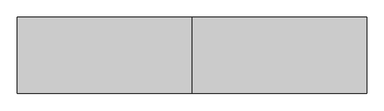
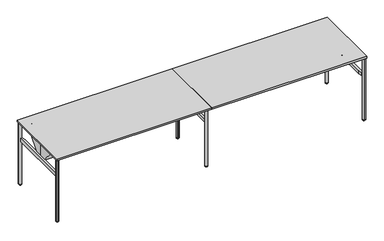
"""IFC4 building model written with IfcOpenShell, lengths in millimetres: furniture geometry."""

from ifc_helpers import new_model, si_unit, point, frame, frame_2d, origin, place, context, project, spatial, polyline, circle_curve, ellipse_curve, trimmed, segment, composite_curve, outline, extrude, source, transform, mapped, element, save
from ifc_brep_helpers import plane_surface, cylinder_surface, revolved_surface, advanced_brep


def furniture_03df51e2(model_context):
    return source(origin(), model_context, "Body", "SolidModel", [
        extrude(outline(composite_curve([segment(polyline([(4726.5708622, -1012.5123913), (4719.959378, -936.94286)]), True, "CONTINUOUS"), segment(trimmed(circle_curve(frame_2d((4738.9368868, -935.2825414)), 19.05), [point((4719.959378, -936.94286))], [point((4740.5972055, -916.3050325))], False, "CARTESIAN"), True, "CONTINUOUS"), segment(polyline([(4740.5972055, -916.3050325), (4818.2875241, -923.1020618)]), True, "CONTINUOUS"), segment(trimmed(circle_curve(frame_2d((4816.39591, -944.7232867)), 21.7038146), [point((4818.2875241, -923.1020618))], [point((4831.7428234, -929.3763711))], False, "CARTESIAN"), True, "CONTINUOUS"), segment(polyline([(4831.7428234, -929.3763711), (4847.3702956, -945.0038411)]), True, "CONTINUOUS"), segment(trimmed(circle_curve(frame_2d((4826.4053664, -965.9687734)), 29.6488894), [point((4847.3702956, -945.0038411))], [point((4855.9414328, -963.3847025))], False, "CARTESIAN"), True, "CONTINUOUS"), segment(polyline([(4855.9414328, -963.3847025), (4862.3888037, -1037.078493), (4862.3888037, -1055.2995351)]), True, "CONTINUOUS"), segment(trimmed(circle_curve(frame_2d((4858.9538794, -1055.2995351)), 3.4349243), [point((4862.3888037, -1055.2995351))], [point((4858.9538794, -1058.7344594))], False, "CARTESIAN"), True, "CONTINUOUS"), segment(polyline([(4858.9538794, -1058.7344594), (4840.7328449, -1058.7344594), (4767.8008773, -1052.3537388)]), True, "CONTINUOUS"), segment(trimmed(circle_curve(frame_2d((4770.5680722, -1020.7245572)), 31.75), [point((4767.8008773, -1052.3537388))], [point((4748.1174287, -1043.1751943))], False, "CARTESIAN"), True, "CONTINUOUS"), segment(polyline([(4748.1174287, -1043.1751943), (4734.5360666, -1029.5938283)]), True, "CONTINUOUS"), segment(trimmed(circle_curve(frame_2d((4754.0189041, -1010.1109963)), 27.5528892), [point((4734.5360666, -1029.5938283))], [point((4726.5708622, -1012.5123913))], False, "CARTESIAN"), True, "CONTINUOUS")], self_intersect=False)), frame((0.0, 0.0, 1029.2852114), z_axis=(0.0, 0.0, 1.0), x_axis=(1.0, 0.0, 0.0)), (0.0, 0.0, 1.0), 7.924807),
        extrude(outline(composite_curve([segment(trimmed(circle_curve(frame_2d((4754.0189041, -55.8736689)), 27.5528892), [point((4726.5708622, -53.4722739))], [point((4734.5360666, -36.3908369))], False, "CARTESIAN"), True, "CONTINUOUS"), segment(polyline([(4734.5360666, -36.3908369), (4748.1174287, -22.8094709)]), True, "CONTINUOUS"), segment(trimmed(circle_curve(frame_2d((4770.5680722, -45.260108)), 31.75), [point((4748.1174287, -22.8094709))], [point((4767.8008773, -13.6309264))], False, "CARTESIAN"), True, "CONTINUOUS"), segment(polyline([(4767.8008773, -13.6309264), (4840.7328449, -7.2502058), (4858.9538794, -7.2502058)]), True, "CONTINUOUS"), segment(trimmed(circle_curve(frame_2d((4858.9538794, -10.6851301)), 3.4349243), [point((4858.9538794, -7.2502058))], [point((4862.3888037, -10.6851301))], False, "CARTESIAN"), True, "CONTINUOUS"), segment(polyline([(4862.3888037, -10.6851301), (4862.3888037, -28.9061722), (4855.9414328, -102.5999627)]), True, "CONTINUOUS"), segment(trimmed(circle_curve(frame_2d((4826.4053664, -100.0158919)), 29.6488894), [point((4855.9414328, -102.5999627))], [point((4847.3702956, -120.9808241))], False, "CARTESIAN"), True, "CONTINUOUS"), segment(polyline([(4847.3702956, -120.9808241), (4831.7428234, -136.6082941)]), True, "CONTINUOUS"), segment(trimmed(circle_curve(frame_2d((4816.39591, -121.2613785)), 21.7038146), [point((4831.7428234, -136.6082941))], [point((4818.2875241, -142.8826034))], False, "CARTESIAN"), True, "CONTINUOUS"), segment(polyline([(4818.2875241, -142.8826034), (4740.5972055, -149.6796327)]), True, "CONTINUOUS"), segment(trimmed(circle_curve(frame_2d((4738.9368868, -130.7021238)), 19.05), [point((4740.5972055, -149.6796327))], [point((4719.959378, -129.0418052))], False, "CARTESIAN"), True, "CONTINUOUS"), segment(polyline([(4719.959378, -129.0418052), (4726.5708622, -53.4722739)]), True, "CONTINUOUS")], self_intersect=False)), frame((0.0, 0.0, 1029.2852114), z_axis=(0.0, 0.0, 1.0), x_axis=(1.0, 0.0, 0.0)), (0.0, 0.0, 1.0), 7.924807),
        extrude(outline(composite_curve([segment(trimmed(circle_curve(frame_2d((115.624494, -1010.9263553)), 27.5528892), [point((143.0725359, -1013.3277503))], [point((135.1073315, -1030.4091873))], False, "CARTESIAN"), True, "CONTINUOUS"), segment(polyline([(135.1073315, -1030.4091873), (121.5259694, -1043.9905533)]), True, "CONTINUOUS"), segment(trimmed(circle_curve(frame_2d((99.0753259, -1021.5399162)), 31.75), [point((121.5259694, -1043.9905533))], [point((101.8425208, -1053.1690978))], False, "CARTESIAN"), True, "CONTINUOUS"), segment(polyline([(101.8425208, -1053.1690978), (28.9105532, -1059.5498184), (10.6895187, -1059.5498184)]), True, "CONTINUOUS"), segment(trimmed(circle_curve(frame_2d((10.6895187, -1056.1148941)), 3.4349243), [point((10.6895187, -1059.5498184))], [point((7.2545944, -1056.1148941))], False, "CARTESIAN"), True, "CONTINUOUS"), segment(polyline([(7.2545944, -1056.1148941), (7.2545944, -1037.893852), (13.7019653, -964.2000615)]), True, "CONTINUOUS"), segment(trimmed(circle_curve(frame_2d((43.2380317, -966.7841324)), 29.6488894), [point((13.7019653, -964.2000615))], [point((22.2731025, -945.8192001))], False, "CARTESIAN"), True, "CONTINUOUS"), segment(polyline([(22.2731025, -945.8192001), (37.9005747, -930.1917301)]), True, "CONTINUOUS"), segment(trimmed(circle_curve(frame_2d((53.2474881, -945.5386457)), 21.7038146), [point((37.9005747, -930.1917301))], [point((51.355874, -923.9174208))], False, "CARTESIAN"), True, "CONTINUOUS"), segment(polyline([(51.355874, -923.9174208), (129.0461926, -917.1203915)]), True, "CONTINUOUS"), segment(trimmed(circle_curve(frame_2d((130.7065113, -936.0979004)), 19.05), [point((129.0461926, -917.1203915))], [point((149.6840201, -937.758219))], False, "CARTESIAN"), True, "CONTINUOUS"), segment(polyline([(149.6840201, -937.758219), (143.0725359, -1013.3277503)]), True, "CONTINUOUS")], self_intersect=False)), frame((0.0, 0.0, 1029.2852114), z_axis=(0.0, 0.0, 1.0), x_axis=(1.0, 0.0, 0.0)), (0.0, 0.0, 1.0), 7.924807),
        extrude(outline(composite_curve([segment(trimmed(circle_curve(frame_2d((2477.4721112, -209.6115174)), 27.5528892), [point((2498.5788505, -191.9008635))], [point((2505.0250004, -209.6115135))], False, "CARTESIAN"), True, "CONTINUOUS"), segment(polyline([(2505.0250004, -209.6115135), (2505.0250031, -228.8184627)]), True, "CONTINUOUS"), segment(trimmed(circle_curve(frame_2d((2473.2750031, -228.8184672)), 31.75), [point((2505.0250031, -228.8184627))], [point((2497.5969142, -249.2269738))], False, "CARTESIAN"), True, "CONTINUOUS"), segment(polyline([(2497.5969142, -249.2269738), (2450.5380761, -305.3095134), (2437.6538591, -318.1937304)]), True, "CONTINUOUS"), segment(trimmed(circle_curve(frame_2d((2435.2250008, -315.7648722)), 3.4349243), [point((2437.6538591, -318.1937304))], [point((2432.7961425, -318.1937304))], False, "CARTESIAN"), True, "CONTINUOUS"), segment(polyline([(2432.7961425, -318.1937304), (2419.9119202, -305.3095081), (2372.3615208, -248.6411494)]), True, "CONTINUOUS"), segment(trimmed(circle_curve(frame_2d((2395.0738877, -229.5832105)), 29.6488894), [point((2372.3615208, -248.6411494))], [point((2365.4249983, -229.5832084))], False, "CARTESIAN"), True, "CONTINUOUS"), segment(polyline([(2365.4249983, -229.5832084), (2365.4249998, -207.4826268)]), True, "CONTINUOUS"), segment(trimmed(circle_curve(frame_2d((2387.1288144, -207.4826284)), 21.7038146), [point((2365.4249998, -207.4826268))], [point((2370.5027266, -193.5316868))], False, "CARTESIAN"), True, "CONTINUOUS"), segment(polyline([(2370.5027266, -193.5316868), (2420.6318522, -133.7901102)]), True, "CONTINUOUS"), segment(trimmed(circle_curve(frame_2d((2435.225, -146.0352128)), 19.05), [point((2420.6318522, -133.7901102))], [point((2449.8181478, -133.7901102))], False, "CARTESIAN"), True, "CONTINUOUS"), segment(polyline([(2449.8181478, -133.7901102), (2498.5788505, -191.9008635)]), True, "CONTINUOUS")], self_intersect=False)), frame((0.0, 0.0, 1029.2852114), z_axis=(0.0, 0.0, 1.0), x_axis=(1.0, 0.0, 0.0)), (0.0, 0.0, 1.0), 7.924807),
        extrude(outline(composite_curve([segment(polyline([(143.0725359, -53.4722739), (149.6840201, -129.0418052)]), True, "CONTINUOUS"), segment(trimmed(circle_curve(frame_2d((130.7065113, -130.7021238)), 19.05), [point((149.6840201, -129.0418052))], [point((129.0461926, -149.6796327))], False, "CARTESIAN"), True, "CONTINUOUS"), segment(polyline([(129.0461926, -149.6796327), (51.355874, -142.8826034)]), True, "CONTINUOUS"), segment(trimmed(circle_curve(frame_2d((53.2474881, -121.2613785)), 21.7038146), [point((51.355874, -142.8826034))], [point((37.9005747, -136.6082941))], False, "CARTESIAN"), True, "CONTINUOUS"), segment(polyline([(37.9005747, -136.6082941), (22.2731025, -120.9808241)]), True, "CONTINUOUS"), segment(trimmed(circle_curve(frame_2d((43.2380317, -100.0158919)), 29.6488894), [point((22.2731025, -120.9808241))], [point((13.7019653, -102.5999627))], False, "CARTESIAN"), True, "CONTINUOUS"), segment(polyline([(13.7019653, -102.5999627), (7.2545944, -28.9061722), (7.2545944, -10.6851301)]), True, "CONTINUOUS"), segment(trimmed(circle_curve(frame_2d((10.6895187, -10.6851301)), 3.4349243), [point((7.2545944, -10.6851301))], [point((10.6895187, -7.2502058))], False, "CARTESIAN"), True, "CONTINUOUS"), segment(polyline([(10.6895187, -7.2502058), (28.9105532, -7.2502058), (101.8425208, -13.6309264)]), True, "CONTINUOUS"), segment(trimmed(circle_curve(frame_2d((99.0753259, -45.260108)), 31.75), [point((101.8425208, -13.6309264))], [point((121.5259694, -22.8094709))], False, "CARTESIAN"), True, "CONTINUOUS"), segment(polyline([(121.5259694, -22.8094709), (135.1073315, -36.3908369)]), True, "CONTINUOUS"), segment(trimmed(circle_curve(frame_2d((115.624494, -55.8736689)), 27.5528892), [point((135.1073315, -36.3908369))], [point((143.0725359, -53.4722739))], False, "CARTESIAN"), True, "CONTINUOUS")], self_intersect=False)), frame((0.0, 0.0, 1029.2852114), z_axis=(0.0, 0.0, 1.0), x_axis=(1.0, 0.0, 0.0)), (0.0, 0.0, 1.0), 7.924807),
        extrude(outline(composite_curve([segment(polyline([(-860.7360671, 1037.2100183), (-538.0985848, 1037.2100183), (-538.0985848, 778.812033)]), True, "CONTINUOUS"), segment(trimmed(circle_curve(frame_2d((-541.0815927, 778.812033)), 2.9830079), [point((-538.0985848, 778.812033))], [point((-541.0815927, 775.8290251))], False, "CARTESIAN"), True, "CONTINUOUS"), segment(polyline([(-541.0815927, 775.8290251), (-565.4985839, 775.8290251), (-565.4985839, 730.9649961), (-558.4999195, 730.9649961), (-558.4999195, 773.6341736), (-556.4999325, 773.6341736), (-556.4999325, 730.9649961), (-546.5486141, 730.9649961), (-546.5486141, 728.6789961), (-589.6736841, 728.6789961), (-860.7360671, 1037.2100183)]), True, "CONTINUOUS")], self_intersect=False)), frame((59.0513238, 0.0, 0.0), z_axis=(1.0, 0.0, 0.0), x_axis=(0.0, 1.0, 0.0)), (0.0, 0.0, 1.0), 4752.3474357),
        extrude(outline(composite_curve([segment(polyline([(-206.0639329, 1037.2100183), (-477.1263159, 728.6789961), (-520.2513859, 728.6789961), (-520.2513859, 730.9649961), (-510.3000675, 730.9649961), (-510.3000675, 773.6341736), (-508.3000805, 773.6341736), (-508.3000805, 730.9649961), (-501.3014161, 730.9649961), (-501.3014161, 775.8290251), (-525.7184073, 775.8290251)]), True, "CONTINUOUS"), segment(trimmed(circle_curve(frame_2d((-525.7184073, 778.812033)), 2.9830079), [point((-525.7184073, 775.8290251))], [point((-528.7014152, 778.812033))], False, "CARTESIAN"), True, "CONTINUOUS"), segment(polyline([(-528.7014152, 778.812033), (-528.7014152, 1037.2100183), (-206.0639329, 1037.2100183)]), True, "CONTINUOUS")], self_intersect=False)), frame((59.0513238, 0.0, 0.0), z_axis=(1.0, 0.0, 0.0), x_axis=(0.0, 1.0, 0.0)), (0.0, 0.0, 1.0), 4752.3474357),
        advanced_brep(
        [(4842.4498037, -1018.8564594, 15.24), (4842.4498037, -1058.7344594, 15.24), (4842.4498037, -1038.7954594, 15.24), (4842.4498037, -1018.8564594, 12.7382497), (4842.4498037, -1058.7344594, 12.7382497), (4842.4498037, -1024.789777, 7.8701761), (4842.4498037, -1052.8011418, 7.8701761), (4842.4498037, -1024.789777, 7.0593297), (4842.4498037, -1052.8011418, 7.0593297), (4842.4498037, -1026.63132, 2.623811), (4842.4498037, -1050.9595987, 2.623811), (4842.4498037, -1029.0090351, 0.2460959), (4842.4498037, -1048.5818837, 0.2460959), (4842.4498037, -1029.9274776, 0.0), (4842.4498037, -1047.6634411, 0.0), (4842.4498037, -1038.7954594, 0.0)],
        [
            (0, 1, circle_curve(frame((4842.4498037, -1038.7954594, 15.24), z_axis=(0.0, 0.0, 1.0), x_axis=(0.0, -1.0, 0.0)), 19.939)),
            (1, 2),
            (2, 0),
            (1, 0, circle_curve(frame((4842.4498037, -1038.7954594, 15.24), z_axis=(0.0, 0.0, 1.0), x_axis=(0.0, -1.0, 0.0)), 19.939)),
            (3, 4, circle_curve(frame((4842.4498037, -1038.7954594, 12.7382497), z_axis=(0.0, 0.0, 1.0), x_axis=(0.0, -1.0, 0.0)), 19.939)),
            (4, 1),
            (0, 3),
            (4, 3, circle_curve(frame((4842.4498037, -1038.7954594, 12.7382497), z_axis=(0.0, 0.0, 1.0), x_axis=(0.0, -1.0, 0.0)), 19.939)),
            (5, 6, circle_curve(frame((4842.4498037, -1038.7954594, 7.8701761), z_axis=(0.0, 0.0, 1.0), x_axis=(0.0, -1.0, 0.0)), 14.0056824)),
            (6, 4, circle_curve(frame((4842.4498037, -1053.770761, 12.7382497), z_axis=(-1.0, 0.0, 0.0), x_axis=(0.0, -1.0, 0.0)), 4.9636984)),
            (3, 5, circle_curve(frame((4842.4498037, -1023.8201577, 12.7382497), z_axis=(-1.0, 0.0, 0.0), x_axis=(0.0, 1.0, 0.0)), 4.9636984)),
            (6, 5, circle_curve(frame((4842.4498037, -1038.7954594, 7.8701761), z_axis=(0.0, 0.0, 1.0), x_axis=(0.0, -1.0, 0.0)), 14.0056824)),
            (7, 8, circle_curve(frame((4842.4498037, -1038.7954594, 7.0593297), z_axis=(0.0, 0.0, 1.0), x_axis=(0.0, -1.0, 0.0)), 14.0056824)),
            (8, 6),
            (5, 7),
            (8, 7, circle_curve(frame((4842.4498037, -1038.7954594, 7.0593297), z_axis=(0.0, 0.0, 1.0), x_axis=(0.0, -1.0, 0.0)), 14.0056824)),
            (9, 10, circle_curve(frame((4842.4498037, -1038.7954594, 2.623811), z_axis=(0.0, 0.0, 1.0), x_axis=(0.0, -1.0, 0.0)), 12.1641393)),
            (10, 8),
            (7, 9),
            (10, 9, circle_curve(frame((4842.4498037, -1038.7954594, 2.623811), z_axis=(0.0, 0.0, 1.0), x_axis=(0.0, -1.0, 0.0)), 12.1641393)),
            (11, 12, circle_curve(frame((4842.4498037, -1038.7954594, 0.2460959), z_axis=(0.0, 0.0, 1.0), x_axis=(0.0, -1.0, 0.0)), 9.7864243)),
            (12, 10),
            (9, 11),
            (12, 11, circle_curve(frame((4842.4498037, -1038.7954594, 0.2460959), z_axis=(0.0, 0.0, 1.0), x_axis=(0.0, -1.0, 0.0)), 9.7864243)),
            (13, 14, circle_curve(frame((4842.4498037, -1038.7954594, 0.0), z_axis=(0.0, 0.0, 1.0), x_axis=(0.0, -1.0, 0.0)), 8.8679818)),
            (14, 12),
            (11, 13),
            (14, 13, circle_curve(frame((4842.4498037, -1038.7954594, 0.0), z_axis=(0.0, 0.0, 1.0), x_axis=(0.0, -1.0, 0.0)), 8.8679818)),
            (15, 14),
            (13, 15),
        ],
        [
            plane_surface(frame((4842.4498037, -1038.7954594, 15.24), z_axis=(0.0, 0.0, 1.0), x_axis=(0.0, -1.0, 0.0))),
            cylinder_surface(frame((4842.4498037, -1038.7954594, 53.34), z_axis=(0.0, 0.0, -1.0), x_axis=(0.0, -1.0, 0.0)), 19.939),
            revolved_surface(trimmed(ellipse_curve(frame((4842.4498037, -1053.770761, 12.7382497), z_axis=(1.0, 0.0, 0.0), x_axis=(0.0, -1.0, 0.0)), 4.9636984, 4.9636984), [point((4842.4498037, -1058.7344594, 12.7382497))], [point((4842.4498037, -1052.8011418, 7.8701761))], True, "CARTESIAN"), (4842.4498037, -1038.7954594, 53.34), (0.0, 0.0, -1.0)),
            cylinder_surface(frame((4842.4498037, -1038.7954594, 53.34), z_axis=(0.0, 0.0, -1.0), x_axis=(0.0, -1.0, 0.0)), 14.0056824),
            revolved_surface(polyline([(4842.4498037, -1052.8011418, 7.0593297), (4842.4498037, -1050.9595987, 2.623811)]), (4842.4498037, -1038.7954594, 53.34), (0.0, 0.0, -1.0)),
            revolved_surface(polyline([(4842.4498037, -1050.9595987, 2.623811), (4842.4498037, -1048.5818837, 0.2460959)]), (4842.4498037, -1038.7954594, 53.34), (0.0, 0.0, -1.0)),
            revolved_surface(polyline([(4842.4498037, -1048.5818837, 0.2460959), (4842.4498037, -1047.6634411, 0.0)]), (4842.4498037, -1038.7954594, 53.34), (0.0, 0.0, -1.0)),
            plane_surface(frame((4842.4498037, -1038.7954594, 0.0), z_axis=(0.0, 0.0, -1.0), x_axis=(0.0, -1.0, 0.0))),
        ],
        [
            (0, [[1, 2, 3]]),
            (0, [[4, -3, -2]]),
            (1, [[5, 6, -1, 7]]),
            (1, [[8, -7, -4, -6]]),
            (2, [[9, 10, -5, 11]]),
            (2, [[12, -11, -8, -10]]),
            (3, [[13, 14, -9, 15]]),
            (3, [[16, -15, -12, -14]]),
            (4, [[17, 18, -13, 19]]),
            (4, [[20, -19, -16, -18]]),
            (5, [[21, 22, -17, 23]]),
            (5, [[24, -23, -20, -22]]),
            (6, [[25, 26, -21, 27]]),
            (6, [[28, -27, -24, -26]]),
            (7, [[29, -25, 30]]),
            (7, [[-30, -28, -29]]),
        ],
    ),
        advanced_brep(
        [(4862.4532523, -27.9300781, 15.24), (4822.4463551, -27.9300781, 15.24), (4842.4498037, -27.9300781, 15.24), (4862.4532523, -27.9300781, 12.413529), (4822.4463551, -27.9300781, 12.413529), (4857.9631242, -27.9300781, 7.9234009), (4826.9364831, -27.9300781, 7.9234009), (4856.4996489, -27.9300781, 7.9234009), (4828.3999584, -27.9300781, 7.9234009), (4856.4996489, -27.9300781, 7.0593297), (4828.3999584, -27.9300781, 7.0593297), (4854.6417297, -27.9300781, 2.623811), (4830.2578777, -27.9300781, 2.623811), (4852.2640146, -27.9300781, 0.2460959), (4832.6355927, -27.9300781, 0.2460959), (4851.3455721, -27.9300781, 0.0), (4833.5540352, -27.9300781, 0.0), (4842.4498037, -27.9300781, 0.0)],
        [
            (0, 1, circle_curve(frame((4842.4498037, -27.9300781, 15.24), z_axis=(0.0, 0.0, 1.0), x_axis=(-1.0, 0.0, 0.0)), 20.0034486)),
            (1, 2),
            (2, 0),
            (1, 0, circle_curve(frame((4842.4498037, -27.9300781, 15.24), z_axis=(0.0, 0.0, 1.0), x_axis=(-1.0, 0.0, 0.0)), 20.0034486)),
            (3, 4, circle_curve(frame((4842.4498037, -27.9300781, 12.413529), z_axis=(0.0, 0.0, 1.0), x_axis=(-1.0, 0.0, 0.0)), 20.0034486)),
            (4, 1),
            (0, 3),
            (4, 3, circle_curve(frame((4842.4498037, -27.9300781, 12.413529), z_axis=(0.0, 0.0, 1.0), x_axis=(-1.0, 0.0, 0.0)), 20.0034486)),
            (5, 6, circle_curve(frame((4842.4498037, -27.9300781, 7.9234009), z_axis=(0.0, 0.0, 1.0), x_axis=(-1.0, 0.0, 0.0)), 15.5133205)),
            (6, 4, circle_curve(frame((4826.9364831, -27.9300781, 12.413529), z_axis=(0.0, 1.0, 0.0), x_axis=(1.0, 0.0, 0.0)), 4.4901281)),
            (3, 5, circle_curve(frame((4857.9631242, -27.9300781, 12.413529), z_axis=(0.0, 1.0, 0.0), x_axis=(-1.0, 0.0, 0.0)), 4.4901281)),
            (6, 5, circle_curve(frame((4842.4498037, -27.9300781, 7.9234009), z_axis=(0.0, 0.0, 1.0), x_axis=(-1.0, 0.0, 0.0)), 15.5133205)),
            (7, 8, circle_curve(frame((4842.4498037, -27.9300781, 7.9234009), z_axis=(0.0, 0.0, 1.0), x_axis=(-1.0, 0.0, 0.0)), 14.0498452)),
            (8, 6),
            (5, 7),
            (8, 7, circle_curve(frame((4842.4498037, -27.9300781, 7.9234009), z_axis=(0.0, 0.0, 1.0), x_axis=(-1.0, 0.0, 0.0)), 14.0498452)),
            (9, 10, circle_curve(frame((4842.4498037, -27.9300781, 7.0593297), z_axis=(0.0, 0.0, 1.0), x_axis=(-1.0, 0.0, 0.0)), 14.0498452)),
            (10, 8),
            (7, 9),
            (10, 9, circle_curve(frame((4842.4498037, -27.9300781, 7.0593297), z_axis=(0.0, 0.0, 1.0), x_axis=(-1.0, 0.0, 0.0)), 14.0498452)),
            (11, 12, circle_curve(frame((4842.4498037, -27.9300781, 2.623811), z_axis=(0.0, 0.0, 1.0), x_axis=(-1.0, 0.0, 0.0)), 12.191926)),
            (12, 10),
            (9, 11),
            (12, 11, circle_curve(frame((4842.4498037, -27.9300781, 2.623811), z_axis=(0.0, 0.0, 1.0), x_axis=(-1.0, 0.0, 0.0)), 12.191926)),
            (13, 14, circle_curve(frame((4842.4498037, -27.9300781, 0.2460959), z_axis=(0.0, 0.0, 1.0), x_axis=(-1.0, 0.0, 0.0)), 9.814211)),
            (14, 12),
            (11, 13),
            (14, 13, circle_curve(frame((4842.4498037, -27.9300781, 0.2460959), z_axis=(0.0, 0.0, 1.0), x_axis=(-1.0, 0.0, 0.0)), 9.814211)),
            (15, 16, circle_curve(frame((4842.4498037, -27.9300781, 0.0), z_axis=(0.0, 0.0, 1.0), x_axis=(-1.0, 0.0, 0.0)), 8.8957684)),
            (16, 14),
            (13, 15),
            (16, 15, circle_curve(frame((4842.4498037, -27.9300781, 0.0), z_axis=(0.0, 0.0, 1.0), x_axis=(-1.0, 0.0, 0.0)), 8.8957684)),
            (17, 16),
            (15, 17),
        ],
        [
            plane_surface(frame((4842.4498037, -27.9300781, 15.24), z_axis=(0.0, 0.0, 1.0), x_axis=(-1.0, 0.0, 0.0))),
            cylinder_surface(frame((4842.4498037, -27.9300781, 56.1592175), z_axis=(0.0, 0.0, -1.0), x_axis=(-1.0, 0.0, 0.0)), 20.0034486),
            revolved_surface(trimmed(ellipse_curve(frame((4826.9364831, -27.9300781, 12.413529), z_axis=(0.0, -1.0, 0.0), x_axis=(1.0, 0.0, 0.0)), 4.4901281, 4.4901281), [point((4822.4463551, -27.9300781, 12.413529))], [point((4826.9364831, -27.9300781, 7.9234009))], True, "CARTESIAN"), (4842.4498037, -27.9300781, 56.1592175), (0.0, 0.0, -1.0)),
            plane_surface(frame((4842.4498037, -27.9300781, 7.9234009), z_axis=(0.0, 0.0, -1.0), x_axis=(-1.0, 0.0, 0.0))),
            cylinder_surface(frame((4842.4498037, -27.9300781, 56.1592175), z_axis=(0.0, 0.0, -1.0), x_axis=(-1.0, 0.0, 0.0)), 14.0498452),
            revolved_surface(polyline([(4828.3999584, -27.9300781, 7.0593297), (4830.2578777, -27.9300781, 2.623811)]), (4842.4498037, -27.9300781, 56.1592175), (0.0, 0.0, -1.0)),
            revolved_surface(polyline([(4830.2578777, -27.9300781, 2.623811), (4832.6355927, -27.9300781, 0.2460959)]), (4842.4498037, -27.9300781, 56.1592175), (0.0, 0.0, -1.0)),
            revolved_surface(polyline([(4832.6355927, -27.9300781, 0.2460959), (4833.5540352, -27.9300781, 0.0)]), (4842.4498037, -27.9300781, 56.1592175), (0.0, 0.0, -1.0)),
            plane_surface(frame((4842.4498037, -27.9300781, 0.0), z_axis=(0.0, 0.0, -1.0), x_axis=(-1.0, 0.0, 0.0))),
        ],
        [
            (0, [[1, 2, 3]]),
            (0, [[4, -3, -2]]),
            (1, [[5, 6, -1, 7]]),
            (1, [[8, -7, -4, -6]]),
            (2, [[9, 10, -5, 11]]),
            (2, [[12, -11, -8, -10]]),
            (3, [[13, 14, -9, 15]]),
            (3, [[16, -15, -12, -14]]),
            (4, [[17, 18, -13, 19]]),
            (4, [[20, -19, -16, -18]]),
            (5, [[21, 22, -17, 23]]),
            (5, [[24, -23, -20, -22]]),
            (6, [[25, 26, -21, 27]]),
            (6, [[28, -27, -24, -26]]),
            (7, [[29, 30, -25, 31]]),
            (7, [[32, -31, -28, -30]]),
            (8, [[33, -29, 34]]),
            (8, [[-34, -32, -33]]),
        ],
    ),
        extrude(outline(polyline([(2422.7408516, -146.0352128), (2448.1409, -146.0352128), (2448.1409, -920.7648008), (2422.7408516, -920.7648008), (2422.7408516, -146.0352128)])), frame((0.0, 0.0, 732.4100183), z_axis=(0.0, 0.0, 1.0), x_axis=(1.0, 0.0, 0.0)), (0.0, 0.0, 1.0), 50.8),
        extrude(outline(polyline([(4849.4928487, -47.9435406), (4849.4928487, -1018.8564594), (4823.8915101, -1018.8564594), (4811.3987595, -963.3971286), (4811.3987595, -103.4028714), (4823.8915101, -47.9435406), (4849.4928487, -47.9435406)])), frame((0.0, 0.0, 732.4100183), z_axis=(0.0, 0.0, 1.0), x_axis=(1.0, 0.0, 0.0)), (0.0, 0.0, 1.0), 50.8),
        extrude(outline(composite_curve([segment(trimmed(circle_curve(frame_2d((4842.4498037, -1038.7954594)), 19.939), [point((4842.4498037, -1058.7344594))], [point((4862.3888037, -1038.7954594))], False, "CARTESIAN"), True, "CONTINUOUS"), segment(polyline([(4862.3888037, -1038.7954594), (4862.3888037, -1058.7344594), (4842.4498037, -1058.7344594)]), True, "CONTINUOUS")], self_intersect=False)), frame((0.0, 0.0, 15.24), z_axis=(0.0, 0.0, 1.0), x_axis=(1.0, 0.0, 0.0)), (0.0, 0.0, 1.0), 1021.9700183),
        extrude(outline(composite_curve([segment(polyline([(4842.4498037, -8.0612031), (4859.5832949, -8.0612031)]), True, "CONTINUOUS"), segment(trimmed(circle_curve(frame_2d((4859.5832949, -10.8667119)), 2.8055087), [point((4859.5832949, -8.0612031))], [point((4862.3888037, -10.8667119))], False, "CARTESIAN"), True, "CONTINUOUS"), segment(polyline([(4862.3888037, -10.8667119), (4862.3888037, -28.0002031)]), True, "CONTINUOUS"), segment(trimmed(circle_curve(frame_2d((4842.4498037, -28.0002031)), 19.939), [point((4862.3888037, -28.0002031))], [point((4842.4498037, -8.0612031))], False, "CARTESIAN"), True, "CONTINUOUS")], self_intersect=False)), frame((0.0, 0.0, 15.24), z_axis=(0.0, 0.0, 1.0), x_axis=(1.0, 0.0, 0.0)), (0.0, 0.0, 1.0), 1021.9700183),
        extrude(outline(polyline([(4870.45, -1066.8), (2435.225, -1066.8), (2435.225, 0.0), (4870.45, 0.0), (4870.45, -1066.8)])), frame((0.0, 0.0, 1037.2100183), z_axis=(0.0, 0.0, 1.0), x_axis=(1.0, 0.0, 0.0)), (0.0, 0.0, 1.0), 29.5899817),
        extrude(outline(polyline([(20.9540966, -47.9435406), (46.6393008, -47.9435406), (59.0513238, -103.4026871), (59.0513238, -963.3973129), (46.6393008, -1018.8564594), (20.9540966, -1018.8564594), (20.9540966, -47.9435406)])), frame((0.0, 0.0, 732.4100183), z_axis=(0.0, 0.0, 1.0), x_axis=(1.0, 0.0, 0.0)), (0.0, 0.0, 1.0), 50.8),
        advanced_brep(
        [(2435.225, -901.14636, 12.8144714), (2435.225, -941.0976838, 12.8144714), (2435.225, -936.1533885, 7.8701761), (2435.225, -906.0906553, 7.8701761), (2435.225, -935.1277043, 7.8701761), (2435.225, -907.1163395, 7.8701761), (2435.225, -935.1277043, 7.0593297), (2435.225, -907.1163395, 7.0593297), (2435.225, -933.2861612, 2.623811), (2435.225, -908.9578825, 2.623811), (2435.225, -930.9084462, 0.2460959), (2435.225, -911.3355976, 0.2460959), (2435.225, -929.9900036, 0.0), (2435.225, -912.2540401, 0.0), (2435.225, -921.1220219, 0.0), (2435.225, -921.1220219, 15.24), (2435.225, -941.0976838, 15.24), (2435.225, -901.14636, 15.24)],
        [
            (0, 1, circle_curve(frame((2435.225, -921.1220219, 12.8144714), z_axis=(0.0, 0.0, -1.0), x_axis=(0.0, -1.0, 0.0)), 19.9756619)),
            (1, 2, circle_curve(frame((2435.225, -936.1533885, 12.8144714), z_axis=(1.0, 0.0, 0.0), x_axis=(0.0, 1.0, 0.0)), 4.9442953)),
            (2, 3, circle_curve(frame((2435.225, -921.1220219, 7.8701761), z_axis=(0.0, 0.0, 1.0), x_axis=(0.0, -1.0, 0.0)), 15.0313666)),
            (3, 0, circle_curve(frame((2435.225, -906.0906553, 12.8144714), z_axis=(1.0, 0.0, 0.0), x_axis=(0.0, -1.0, 0.0)), 4.9442953)),
            (1, 0, circle_curve(frame((2435.225, -921.1220219, 12.8144714), z_axis=(0.0, 0.0, -1.0), x_axis=(0.0, -1.0, 0.0)), 19.9756619)),
            (3, 2, circle_curve(frame((2435.225, -921.1220219, 7.8701761), z_axis=(0.0, 0.0, 1.0), x_axis=(0.0, -1.0, 0.0)), 15.0313666)),
            (2, 4),
            (4, 5, circle_curve(frame((2435.225, -921.1220219, 7.8701761), z_axis=(0.0, 0.0, 1.0), x_axis=(0.0, -1.0, 0.0)), 14.0056824)),
            (5, 3),
            (5, 4, circle_curve(frame((2435.225, -921.1220219, 7.8701761), z_axis=(0.0, 0.0, 1.0), x_axis=(0.0, -1.0, 0.0)), 14.0056824)),
            (4, 6),
            (6, 7, circle_curve(frame((2435.225, -921.1220219, 7.0593297), z_axis=(0.0, 0.0, 1.0), x_axis=(0.0, -1.0, 0.0)), 14.0056824)),
            (7, 5),
            (7, 6, circle_curve(frame((2435.225, -921.1220219, 7.0593297), z_axis=(0.0, 0.0, 1.0), x_axis=(0.0, -1.0, 0.0)), 14.0056824)),
            (6, 8),
            (8, 9, circle_curve(frame((2435.225, -921.1220219, 2.623811), z_axis=(0.0, 0.0, 1.0), x_axis=(0.0, -1.0, 0.0)), 12.1641393)),
            (9, 7),
            (9, 8, circle_curve(frame((2435.225, -921.1220219, 2.623811), z_axis=(0.0, 0.0, 1.0), x_axis=(0.0, -1.0, 0.0)), 12.1641393)),
            (8, 10),
            (10, 11, circle_curve(frame((2435.225, -921.1220219, 0.2460959), z_axis=(0.0, 0.0, 1.0), x_axis=(0.0, -1.0, 0.0)), 9.7864243)),
            (11, 9),
            (11, 10, circle_curve(frame((2435.225, -921.1220219, 0.2460959), z_axis=(0.0, 0.0, 1.0), x_axis=(0.0, -1.0, 0.0)), 9.7864243)),
            (10, 12),
            (12, 13, circle_curve(frame((2435.225, -921.1220219, 0.0), z_axis=(0.0, 0.0, 1.0), x_axis=(0.0, -1.0, 0.0)), 8.8679818)),
            (13, 11),
            (13, 12, circle_curve(frame((2435.225, -921.1220219, 0.0), z_axis=(0.0, 0.0, 1.0), x_axis=(0.0, -1.0, 0.0)), 8.8679818)),
            (12, 14),
            (14, 13),
            (15, 16),
            (16, 17, circle_curve(frame((2435.225, -921.1220219, 15.24), z_axis=(0.0, 0.0, 1.0), x_axis=(0.0, -1.0, 0.0)), 19.9756619)),
            (17, 15),
            (17, 16, circle_curve(frame((2435.225, -921.1220219, 15.24), z_axis=(0.0, 0.0, 1.0), x_axis=(0.0, -1.0, 0.0)), 19.9756619)),
            (16, 1),
            (0, 17),
        ],
        [
            revolved_surface(trimmed(ellipse_curve(frame((2435.225, -936.1533885, 12.8144714), z_axis=(-1.0, 0.0, 0.0), x_axis=(0.0, 1.0, 0.0)), 4.9442953, 4.9442953), [point((2435.225, -936.1533885, 7.8701761))], [point((2435.225, -941.0976838, 12.8144714))], True, "CARTESIAN"), (2435.225, -921.1220219, 40.64), (0.0, 0.0, 1.0)),
            plane_surface(frame((2435.225, -921.1220219, 7.8701761), z_axis=(0.0, 0.0, -1.0), x_axis=(0.0, -1.0, 0.0))),
            cylinder_surface(frame((2435.225, -921.1220219, 40.64), z_axis=(0.0, 0.0, 1.0), x_axis=(0.0, -1.0, 0.0)), 14.0056824),
            revolved_surface(polyline([(2435.225, -933.2861612, 2.623811), (2435.225, -935.1277043, 7.0593297)]), (2435.225, -921.1220219, 40.64), (0.0, 0.0, 1.0)),
            revolved_surface(polyline([(2435.225, -930.9084462, 0.2460959), (2435.225, -933.2861612, 2.623811)]), (2435.225, -921.1220219, 40.64), (0.0, 0.0, 1.0)),
            revolved_surface(polyline([(2435.225, -929.9900036, 0.0), (2435.225, -930.9084462, 0.2460959)]), (2435.225, -921.1220219, 40.64), (0.0, 0.0, 1.0)),
            plane_surface(frame((2435.225, -921.1220219, 0.0), z_axis=(0.0, 0.0, -1.0), x_axis=(0.0, -1.0, 0.0))),
            plane_surface(frame((2435.225, -921.1220219, 15.24), z_axis=(0.0, 0.0, 1.0), x_axis=(0.0, -1.0, 0.0))),
            cylinder_surface(frame((2435.225, -921.1220219, 40.64), z_axis=(0.0, 0.0, 1.0), x_axis=(0.0, -1.0, 0.0)), 19.9756619),
        ],
        [
            (0, [[1, 2, 3, 4]]),
            (0, [[5, -4, 6, -2]]),
            (1, [[-3, 7, 8, 9]]),
            (1, [[-6, -9, 10, -7]]),
            (2, [[-8, 11, 12, 13]]),
            (2, [[-10, -13, 14, -11]]),
            (3, [[-12, 15, 16, 17]]),
            (3, [[-14, -17, 18, -15]]),
            (4, [[-16, 19, 20, 21]]),
            (4, [[-18, -21, 22, -19]]),
            (5, [[-20, 23, 24, 25]]),
            (5, [[-22, -25, 26, -23]]),
            (6, [[-24, 27, 28]]),
            (6, [[-26, -28, -27]]),
            (7, [[29, 30, 31]]),
            (7, [[-31, 32, -29]]),
            (8, [[-30, 33, -1, 34]]),
            (8, [[-32, -34, -5, -33]]),
        ],
    ),
        advanced_brep(
        [(27.9796875, -1023.7640928, 7.8701761), (27.9796875, -1053.826826, 7.8701761), (27.9796875, -1058.7711213, 12.8144714), (27.9796875, -1018.8197975, 12.8144714), (27.9796875, -1024.789777, 7.8701761), (27.9796875, -1052.8011418, 7.8701761), (27.9796875, -1024.789777, 7.0593297), (27.9796875, -1052.8011418, 7.0593297), (27.9796875, -1026.63132, 2.623811), (27.9796875, -1050.9595987, 2.623811), (27.9796875, -1029.0090351, 0.2460959), (27.9796875, -1048.5818837, 0.2460959), (27.9796875, -1029.9274776, 0.0), (27.9796875, -1047.6634411, 0.0), (27.9796875, -1038.7954594, 0.0), (27.9796875, -1018.8197975, 15.24), (27.9796875, -1058.7711213, 15.24), (27.9796875, -1038.7954594, 15.24)],
        [
            (0, 1, circle_curve(frame((27.9796875, -1038.7954594, 7.8701761), z_axis=(0.0, 0.0, 1.0), x_axis=(0.0, -1.0, 0.0)), 15.0313666)),
            (1, 2, circle_curve(frame((27.9796875, -1053.826826, 12.8144714), z_axis=(-1.0, 0.0, 0.0), x_axis=(0.0, 1.0, 0.0)), 4.9442953)),
            (2, 3, circle_curve(frame((27.9796875, -1038.7954594, 12.8144714), z_axis=(0.0, 0.0, -1.0), x_axis=(0.0, -1.0, 0.0)), 19.9756619)),
            (3, 0, circle_curve(frame((27.9796875, -1023.7640928, 12.8144714), z_axis=(-1.0, 0.0, 0.0), x_axis=(0.0, -1.0, 0.0)), 4.9442953)),
            (1, 0, circle_curve(frame((27.9796875, -1038.7954594, 7.8701761), z_axis=(0.0, 0.0, 1.0), x_axis=(0.0, -1.0, 0.0)), 15.0313666)),
            (3, 2, circle_curve(frame((27.9796875, -1038.7954594, 12.8144714), z_axis=(0.0, 0.0, -1.0), x_axis=(0.0, -1.0, 0.0)), 19.9756619)),
            (4, 5, circle_curve(frame((27.9796875, -1038.7954594, 7.8701761), z_axis=(0.0, 0.0, 1.0), x_axis=(0.0, -1.0, 0.0)), 14.0056824)),
            (5, 1),
            (0, 4),
            (5, 4, circle_curve(frame((27.9796875, -1038.7954594, 7.8701761), z_axis=(0.0, 0.0, 1.0), x_axis=(0.0, -1.0, 0.0)), 14.0056824)),
            (6, 7, circle_curve(frame((27.9796875, -1038.7954594, 7.0593297), z_axis=(0.0, 0.0, 1.0), x_axis=(0.0, -1.0, 0.0)), 14.0056824)),
            (7, 5),
            (4, 6),
            (7, 6, circle_curve(frame((27.9796875, -1038.7954594, 7.0593297), z_axis=(0.0, 0.0, 1.0), x_axis=(0.0, -1.0, 0.0)), 14.0056824)),
            (8, 9, circle_curve(frame((27.9796875, -1038.7954594, 2.623811), z_axis=(0.0, 0.0, 1.0), x_axis=(0.0, -1.0, 0.0)), 12.1641393)),
            (9, 7),
            (6, 8),
            (9, 8, circle_curve(frame((27.9796875, -1038.7954594, 2.623811), z_axis=(0.0, 0.0, 1.0), x_axis=(0.0, -1.0, 0.0)), 12.1641393)),
            (10, 11, circle_curve(frame((27.9796875, -1038.7954594, 0.2460959), z_axis=(0.0, 0.0, 1.0), x_axis=(0.0, -1.0, 0.0)), 9.7864243)),
            (11, 9),
            (8, 10),
            (11, 10, circle_curve(frame((27.9796875, -1038.7954594, 0.2460959), z_axis=(0.0, 0.0, 1.0), x_axis=(0.0, -1.0, 0.0)), 9.7864243)),
            (12, 13, circle_curve(frame((27.9796875, -1038.7954594, 0.0), z_axis=(0.0, 0.0, 1.0), x_axis=(0.0, -1.0, 0.0)), 8.8679818)),
            (13, 11),
            (10, 12),
            (13, 12, circle_curve(frame((27.9796875, -1038.7954594, 0.0), z_axis=(0.0, 0.0, 1.0), x_axis=(0.0, -1.0, 0.0)), 8.8679818)),
            (14, 13),
            (12, 14),
            (15, 16, circle_curve(frame((27.9796875, -1038.7954594, 15.24), z_axis=(0.0, 0.0, 1.0), x_axis=(0.0, -1.0, 0.0)), 19.9756619)),
            (16, 17),
            (17, 15),
            (16, 15, circle_curve(frame((27.9796875, -1038.7954594, 15.24), z_axis=(0.0, 0.0, 1.0), x_axis=(0.0, -1.0, 0.0)), 19.9756619)),
            (2, 16),
            (15, 3),
        ],
        [
            revolved_surface(trimmed(ellipse_curve(frame((27.9796875, -1053.826826, 12.8144714), z_axis=(1.0, 0.0, 0.0), x_axis=(0.0, 1.0, 0.0)), 4.9442953, 4.9442953), [point((27.9796875, -1058.7711213, 12.8144714))], [point((27.9796875, -1053.826826, 7.8701761))], True, "CARTESIAN"), (27.9796875, -1038.7954594, 40.64), (0.0, 0.0, -1.0)),
            plane_surface(frame((27.9796875, -1038.7954594, 7.8701761), z_axis=(0.0, 0.0, -1.0), x_axis=(0.0, -1.0, 0.0))),
            cylinder_surface(frame((27.9796875, -1038.7954594, 40.64), z_axis=(0.0, 0.0, -1.0), x_axis=(0.0, -1.0, 0.0)), 14.0056824),
            revolved_surface(polyline([(27.9796875, -1052.8011418, 7.0593297), (27.9796875, -1050.9595987, 2.623811)]), (27.9796875, -1038.7954594, 40.64), (0.0, 0.0, -1.0)),
            revolved_surface(polyline([(27.9796875, -1050.9595987, 2.623811), (27.9796875, -1048.5818837, 0.2460959)]), (27.9796875, -1038.7954594, 40.64), (0.0, 0.0, -1.0)),
            revolved_surface(polyline([(27.9796875, -1048.5818837, 0.2460959), (27.9796875, -1047.6634411, 0.0)]), (27.9796875, -1038.7954594, 40.64), (0.0, 0.0, -1.0)),
            plane_surface(frame((27.9796875, -1038.7954594, 0.0), z_axis=(0.0, 0.0, -1.0), x_axis=(0.0, -1.0, 0.0))),
            plane_surface(frame((27.9796875, -1038.7954594, 15.24), z_axis=(0.0, 0.0, 1.0), x_axis=(0.0, -1.0, 0.0))),
            cylinder_surface(frame((27.9796875, -1038.7954594, 40.64), z_axis=(0.0, 0.0, -1.0), x_axis=(0.0, -1.0, 0.0)), 19.9756619),
        ],
        [
            (0, [[1, 2, 3, 4]]),
            (0, [[5, -4, 6, -2]]),
            (1, [[7, 8, -1, 9]]),
            (1, [[10, -9, -5, -8]]),
            (2, [[11, 12, -7, 13]]),
            (2, [[14, -13, -10, -12]]),
            (3, [[15, 16, -11, 17]]),
            (3, [[18, -17, -14, -16]]),
            (4, [[19, 20, -15, 21]]),
            (4, [[22, -21, -18, -20]]),
            (5, [[23, 24, -19, 25]]),
            (5, [[26, -25, -22, -24]]),
            (6, [[27, -23, 28]]),
            (6, [[-28, -26, -27]]),
            (7, [[29, 30, 31]]),
            (7, [[32, -31, -30]]),
            (8, [[-3, 33, -29, 34]]),
            (8, [[-6, -34, -32, -33]]),
        ],
    ),
        advanced_brep(
        [(2415.2122121, -145.4050781, 12.7759073), (2455.2129999, -145.4050781, 12.7759073), (2450.3072687, -145.4050781, 7.8701761), (2420.1179432, -145.4050781, 7.8701761), (2449.2842433, -145.4050781, 7.8701761), (2421.1409686, -145.4050781, 7.8701761), (2449.2842433, -145.4050781, 7.0593297), (2421.1409686, -145.4050781, 7.0593297), (2447.4014773, -145.4050781, 2.623811), (2423.0237346, -145.4050781, 2.623811), (2445.0237623, -145.4050781, 0.2460959), (2425.4014497, -145.4050781, 0.2460959), (2444.1053198, -145.4050781, 0.0), (2426.3198922, -145.4050781, 0.0), (2435.212606, -145.4050781, 0.0), (2435.212606, -145.4050781, 15.24), (2455.2129999, -145.4050781, 15.24), (2415.2122121, -145.4050781, 15.24)],
        [
            (0, 1, circle_curve(frame((2435.212606, -145.4050781, 12.7759073), z_axis=(0.0, 0.0, -1.0), x_axis=(1.0, 0.0, 0.0)), 20.0003939)),
            (1, 2, circle_curve(frame((2450.3072687, -145.4050781, 12.7759073), z_axis=(0.0, 1.0, 0.0), x_axis=(-1.0, 0.0, 0.0)), 4.9057312)),
            (2, 3, circle_curve(frame((2435.212606, -145.4050781, 7.8701761), z_axis=(0.0, 0.0, 1.0), x_axis=(1.0, 0.0, 0.0)), 15.0946628)),
            (3, 0, circle_curve(frame((2420.1179432, -145.4050781, 12.7759073), z_axis=(0.0, 1.0, 0.0), x_axis=(1.0, 0.0, 0.0)), 4.9057312)),
            (1, 0, circle_curve(frame((2435.212606, -145.4050781, 12.7759073), z_axis=(0.0, 0.0, -1.0), x_axis=(1.0, 0.0, 0.0)), 20.0003939)),
            (3, 2, circle_curve(frame((2435.212606, -145.4050781, 7.8701761), z_axis=(0.0, 0.0, 1.0), x_axis=(1.0, 0.0, 0.0)), 15.0946628)),
            (2, 4),
            (4, 5, circle_curve(frame((2435.212606, -145.4050781, 7.8701761), z_axis=(0.0, 0.0, 1.0), x_axis=(1.0, 0.0, 0.0)), 14.0716373)),
            (5, 3),
            (5, 4, circle_curve(frame((2435.212606, -145.4050781, 7.8701761), z_axis=(0.0, 0.0, 1.0), x_axis=(1.0, 0.0, 0.0)), 14.0716373)),
            (4, 6),
            (6, 7, circle_curve(frame((2435.212606, -145.4050781, 7.0593297), z_axis=(0.0, 0.0, 1.0), x_axis=(1.0, 0.0, 0.0)), 14.0716373)),
            (7, 5),
            (7, 6, circle_curve(frame((2435.212606, -145.4050781, 7.0593297), z_axis=(0.0, 0.0, 1.0), x_axis=(1.0, 0.0, 0.0)), 14.0716373)),
            (6, 8),
            (8, 9, circle_curve(frame((2435.212606, -145.4050781, 2.623811), z_axis=(0.0, 0.0, 1.0), x_axis=(1.0, 0.0, 0.0)), 12.1888713)),
            (9, 7),
            (9, 8, circle_curve(frame((2435.212606, -145.4050781, 2.623811), z_axis=(0.0, 0.0, 1.0), x_axis=(1.0, 0.0, 0.0)), 12.1888713)),
            (8, 10),
            (10, 11, circle_curve(frame((2435.212606, -145.4050781, 0.2460959), z_axis=(0.0, 0.0, 1.0), x_axis=(1.0, 0.0, 0.0)), 9.8111563)),
            (11, 9),
            (11, 10, circle_curve(frame((2435.212606, -145.4050781, 0.2460959), z_axis=(0.0, 0.0, 1.0), x_axis=(1.0, 0.0, 0.0)), 9.8111563)),
            (10, 12),
            (12, 13, circle_curve(frame((2435.212606, -145.4050781, 0.0), z_axis=(0.0, 0.0, 1.0), x_axis=(1.0, 0.0, 0.0)), 8.8927138)),
            (13, 11),
            (13, 12, circle_curve(frame((2435.212606, -145.4050781, 0.0), z_axis=(0.0, 0.0, 1.0), x_axis=(1.0, 0.0, 0.0)), 8.8927138)),
            (12, 14),
            (14, 13),
            (15, 16),
            (16, 17, circle_curve(frame((2435.212606, -145.4050781, 15.24), z_axis=(0.0, 0.0, 1.0), x_axis=(1.0, 0.0, 0.0)), 20.0003939)),
            (17, 15),
            (17, 16, circle_curve(frame((2435.212606, -145.4050781, 15.24), z_axis=(0.0, 0.0, 1.0), x_axis=(1.0, 0.0, 0.0)), 20.0003939)),
            (16, 1),
            (0, 17),
        ],
        [
            revolved_surface(trimmed(ellipse_curve(frame((2450.3072687, -145.4050781, 12.7759073), z_axis=(0.0, -1.0, 0.0), x_axis=(-1.0, 0.0, 0.0)), 4.9057312, 4.9057312), [point((2450.3072687, -145.4050781, 7.8701761))], [point((2455.2129999, -145.4050781, 12.7759073))], True, "CARTESIAN"), (2435.212606, -145.4050781, -11.2120944), (0.0, 0.0, 1.0)),
            plane_surface(frame((2435.212606, -145.4050781, 7.8701761), z_axis=(0.0, 0.0, -1.0), x_axis=(1.0, 0.0, 0.0))),
            cylinder_surface(frame((2435.212606, -145.4050781, -11.2120944), z_axis=(0.0, 0.0, 1.0), x_axis=(1.0, 0.0, 0.0)), 14.0716373),
            revolved_surface(polyline([(2447.4014773, -145.4050781, 2.623811), (2449.2842433, -145.4050781, 7.0593297)]), (2435.212606, -145.4050781, -11.2120944), (0.0, 0.0, 1.0)),
            revolved_surface(polyline([(2445.0237623, -145.4050781, 0.2460959), (2447.4014773, -145.4050781, 2.623811)]), (2435.212606, -145.4050781, -11.2120944), (0.0, 0.0, 1.0)),
            revolved_surface(polyline([(2444.1053198, -145.4050781, 0.0), (2445.0237623, -145.4050781, 0.2460959)]), (2435.212606, -145.4050781, -11.2120944), (0.0, 0.0, 1.0)),
            plane_surface(frame((2435.212606, -145.4050781, 0.0), z_axis=(0.0, 0.0, -1.0), x_axis=(1.0, 0.0, 0.0))),
            plane_surface(frame((2435.212606, -145.4050781, 15.24), z_axis=(0.0, 0.0, 1.0), x_axis=(1.0, 0.0, 0.0))),
            cylinder_surface(frame((2435.212606, -145.4050781, -11.2120944), z_axis=(0.0, 0.0, 1.0), x_axis=(1.0, 0.0, 0.0)), 20.0003939),
        ],
        [
            (0, [[1, 2, 3, 4]]),
            (0, [[5, -4, 6, -2]]),
            (1, [[-3, 7, 8, 9]]),
            (1, [[-6, -9, 10, -7]]),
            (2, [[-8, 11, 12, 13]]),
            (2, [[-10, -13, 14, -11]]),
            (3, [[-12, 15, 16, 17]]),
            (3, [[-14, -17, 18, -15]]),
            (4, [[-16, 19, 20, 21]]),
            (4, [[-18, -21, 22, -19]]),
            (5, [[-20, 23, 24, 25]]),
            (5, [[-22, -25, 26, -23]]),
            (6, [[-24, 27, 28]]),
            (6, [[-26, -28, -27]]),
            (7, [[29, 30, 31]]),
            (7, [[-31, 32, -29]]),
            (8, [[-30, 33, -1, 34]]),
            (8, [[-32, -34, -5, -33]]),
        ],
    ),
        advanced_brep(
        [(43.0948591, -27.9300781, 7.8701761), (12.9055336, -27.9300781, 7.8701761), (7.9998024, -27.9300781, 12.7759073), (48.0005903, -27.9300781, 12.7759073), (42.0718337, -27.9300781, 7.8701761), (13.928559, -27.9300781, 7.8701761), (42.0718337, -27.9300781, 7.0593297), (13.928559, -27.9300781, 7.0593297), (40.1890677, -27.9300781, 2.623811), (15.811325, -27.9300781, 2.623811), (37.8113526, -27.9300781, 0.2460959), (18.18904, -27.9300781, 0.2460959), (36.8929101, -27.9300781, 0.0), (19.1074826, -27.9300781, 0.0), (28.0001963, -27.9300781, 0.0), (48.0005903, -27.9300781, 15.24), (7.9998024, -27.9300781, 15.24), (28.0001963, -27.9300781, 15.24)],
        [
            (0, 1, circle_curve(frame((28.0001963, -27.9300781, 7.8701761), z_axis=(0.0, 0.0, 1.0), x_axis=(-1.0, 0.0, 0.0)), 15.0946628)),
            (1, 2, circle_curve(frame((12.9055336, -27.9300781, 12.7759073), z_axis=(0.0, 1.0, 0.0), x_axis=(1.0, 0.0, 0.0)), 4.9057312)),
            (2, 3, circle_curve(frame((28.0001963, -27.9300781, 12.7759073), z_axis=(0.0, 0.0, -1.0), x_axis=(-1.0, 0.0, 0.0)), 20.0003939)),
            (3, 0, circle_curve(frame((43.0948591, -27.9300781, 12.7759073), z_axis=(0.0, 1.0, 0.0), x_axis=(-1.0, 0.0, 0.0)), 4.9057312)),
            (1, 0, circle_curve(frame((28.0001963, -27.9300781, 7.8701761), z_axis=(0.0, 0.0, 1.0), x_axis=(-1.0, 0.0, 0.0)), 15.0946628)),
            (3, 2, circle_curve(frame((28.0001963, -27.9300781, 12.7759073), z_axis=(0.0, 0.0, -1.0), x_axis=(-1.0, 0.0, 0.0)), 20.0003939)),
            (4, 5, circle_curve(frame((28.0001963, -27.9300781, 7.8701761), z_axis=(0.0, 0.0, 1.0), x_axis=(-1.0, 0.0, 0.0)), 14.0716373)),
            (5, 1),
            (0, 4),
            (5, 4, circle_curve(frame((28.0001963, -27.9300781, 7.8701761), z_axis=(0.0, 0.0, 1.0), x_axis=(-1.0, 0.0, 0.0)), 14.0716373)),
            (6, 7, circle_curve(frame((28.0001963, -27.9300781, 7.0593297), z_axis=(0.0, 0.0, 1.0), x_axis=(-1.0, 0.0, 0.0)), 14.0716373)),
            (7, 5),
            (4, 6),
            (7, 6, circle_curve(frame((28.0001963, -27.9300781, 7.0593297), z_axis=(0.0, 0.0, 1.0), x_axis=(-1.0, 0.0, 0.0)), 14.0716373)),
            (8, 9, circle_curve(frame((28.0001963, -27.9300781, 2.623811), z_axis=(0.0, 0.0, 1.0), x_axis=(-1.0, 0.0, 0.0)), 12.1888713)),
            (9, 7),
            (6, 8),
            (9, 8, circle_curve(frame((28.0001963, -27.9300781, 2.623811), z_axis=(0.0, 0.0, 1.0), x_axis=(-1.0, 0.0, 0.0)), 12.1888713)),
            (10, 11, circle_curve(frame((28.0001963, -27.9300781, 0.2460959), z_axis=(0.0, 0.0, 1.0), x_axis=(-1.0, 0.0, 0.0)), 9.8111563)),
            (11, 9),
            (8, 10),
            (11, 10, circle_curve(frame((28.0001963, -27.9300781, 0.2460959), z_axis=(0.0, 0.0, 1.0), x_axis=(-1.0, 0.0, 0.0)), 9.8111563)),
            (12, 13, circle_curve(frame((28.0001963, -27.9300781, 0.0), z_axis=(0.0, 0.0, 1.0), x_axis=(-1.0, 0.0, 0.0)), 8.8927138)),
            (13, 11),
            (10, 12),
            (13, 12, circle_curve(frame((28.0001963, -27.9300781, 0.0), z_axis=(0.0, 0.0, 1.0), x_axis=(-1.0, 0.0, 0.0)), 8.8927138)),
            (14, 13),
            (12, 14),
            (15, 16, circle_curve(frame((28.0001963, -27.9300781, 15.24), z_axis=(0.0, 0.0, 1.0), x_axis=(-1.0, 0.0, 0.0)), 20.0003939)),
            (16, 17),
            (17, 15),
            (16, 15, circle_curve(frame((28.0001963, -27.9300781, 15.24), z_axis=(0.0, 0.0, 1.0), x_axis=(-1.0, 0.0, 0.0)), 20.0003939)),
            (2, 16),
            (15, 3),
        ],
        [
            revolved_surface(trimmed(ellipse_curve(frame((12.9055336, -27.9300781, 12.7759073), z_axis=(0.0, -1.0, 0.0), x_axis=(1.0, 0.0, 0.0)), 4.9057312, 4.9057312), [point((7.9998024, -27.9300781, 12.7759073))], [point((12.9055336, -27.9300781, 7.8701761))], True, "CARTESIAN"), (28.0001963, -27.9300781, -11.2120944), (0.0, 0.0, -1.0)),
            plane_surface(frame((28.0001963, -27.9300781, 7.8701761), z_axis=(0.0, 0.0, -1.0), x_axis=(-1.0, 0.0, 0.0))),
            cylinder_surface(frame((28.0001963, -27.9300781, -11.2120944), z_axis=(0.0, 0.0, -1.0), x_axis=(-1.0, 0.0, 0.0)), 14.0716373),
            revolved_surface(polyline([(13.928559, -27.9300781, 7.0593297), (15.811325, -27.9300781, 2.623811)]), (28.0001963, -27.9300781, -11.2120944), (0.0, 0.0, -1.0)),
            revolved_surface(polyline([(15.811325, -27.9300781, 2.623811), (18.18904, -27.9300781, 0.2460959)]), (28.0001963, -27.9300781, -11.2120944), (0.0, 0.0, -1.0)),
            revolved_surface(polyline([(18.18904, -27.9300781, 0.2460959), (19.1074826, -27.9300781, 0.0)]), (28.0001963, -27.9300781, -11.2120944), (0.0, 0.0, -1.0)),
            plane_surface(frame((28.0001963, -27.9300781, 0.0), z_axis=(0.0, 0.0, -1.0), x_axis=(-1.0, 0.0, 0.0))),
            plane_surface(frame((28.0001963, -27.9300781, 15.24), z_axis=(0.0, 0.0, 1.0), x_axis=(-1.0, 0.0, 0.0))),
            cylinder_surface(frame((28.0001963, -27.9300781, -11.2120944), z_axis=(0.0, 0.0, -1.0), x_axis=(-1.0, 0.0, 0.0)), 20.0003939),
        ],
        [
            (0, [[1, 2, 3, 4]]),
            (0, [[5, -4, 6, -2]]),
            (1, [[7, 8, -1, 9]]),
            (1, [[10, -9, -5, -8]]),
            (2, [[11, 12, -7, 13]]),
            (2, [[14, -13, -10, -12]]),
            (3, [[15, 16, -11, 17]]),
            (3, [[18, -17, -14, -16]]),
            (4, [[19, 20, -15, 21]]),
            (4, [[22, -21, -18, -20]]),
            (5, [[23, 24, -19, 25]]),
            (5, [[26, -25, -22, -24]]),
            (6, [[27, -23, 28]]),
            (6, [[-28, -26, -27]]),
            (7, [[29, 30, 31]]),
            (7, [[32, -31, -30]]),
            (8, [[-3, 33, -29, 34]]),
            (8, [[-6, -34, -32, -33]]),
        ],
    ),
        extrude(outline(composite_curve([segment(polyline([(28.0001963, -1058.7344594), (8.0611963, -1058.7344594), (8.0611963, -1038.7954594)]), True, "CONTINUOUS"), segment(trimmed(circle_curve(frame_2d((28.0001963, -1038.7954594)), 19.939), [point((8.0611963, -1038.7954594))], [point((28.0001963, -1058.7344594))], False, "CARTESIAN"), True, "CONTINUOUS")], self_intersect=False)), frame((0.0, 0.0, 15.24), z_axis=(0.0, 0.0, 1.0), x_axis=(1.0, 0.0, 0.0)), (0.0, 0.0, 1.0), 1021.9700183),
        extrude(outline(composite_curve([segment(trimmed(circle_curve(frame_2d((2435.225, -921.1220219)), 19.939), [point((2449.3240021, -907.0230198))], [point((2421.1259979, -907.0230198))], False, "CARTESIAN"), True, "CONTINUOUS"), segment(polyline([(2421.1259979, -907.0230198), (2435.225, -892.9240176), (2449.3240021, -907.0230198)]), True, "CONTINUOUS")], self_intersect=False)), frame((0.0, 0.0, 15.24), z_axis=(0.0, 0.0, 1.0), x_axis=(1.0, 0.0, 0.0)), (0.0, 0.0, 1.0), 1021.9700183),
        extrude(outline(composite_curve([segment(polyline([(2449.3240021, -159.5742053), (2437.1014538, -171.7967535)]), True, "CONTINUOUS"), segment(trimmed(circle_curve(frame_2d((2435.225, -169.9202997)), 2.6537064), [point((2437.1014538, -171.7967535))], [point((2433.3485462, -171.7967535))], False, "CARTESIAN"), True, "CONTINUOUS"), segment(polyline([(2433.3485462, -171.7967535), (2421.1259979, -159.5742053)]), True, "CONTINUOUS"), segment(trimmed(circle_curve(frame_2d((2435.225, -145.4752031)), 19.939), [point((2421.1259979, -159.5742053))], [point((2449.3240021, -159.5742053))], False, "CARTESIAN"), True, "CONTINUOUS")], self_intersect=False)), frame((0.0, 0.0, 15.24), z_axis=(0.0, 0.0, 1.0), x_axis=(1.0, 0.0, 0.0)), (0.0, 0.0, 1.0), 1021.9700183),
        extrude(outline(composite_curve([segment(trimmed(circle_curve(frame_2d((28.0001963, -28.0002031)), 19.939), [point((28.0001963, -8.0612031))], [point((8.0611963, -28.0002031))], False, "CARTESIAN"), True, "CONTINUOUS"), segment(polyline([(8.0611963, -28.0002031), (8.0611963, -10.8667119)]), True, "CONTINUOUS"), segment(trimmed(circle_curve(frame_2d((10.8667051, -10.8667119)), 2.8055087), [point((8.0611963, -10.8667119))], [point((10.8667051, -8.0612031))], False, "CARTESIAN"), True, "CONTINUOUS"), segment(polyline([(10.8667051, -8.0612031), (28.0001963, -8.0612031)]), True, "CONTINUOUS")], self_intersect=False)), frame((0.0, 0.0, 15.24), z_axis=(0.0, 0.0, 1.0), x_axis=(1.0, 0.0, 0.0)), (0.0, 0.0, 1.0), 1021.9700183),
        extrude(outline(polyline([(0.0, -1066.8), (0.0, 0.0), (2435.225, 0.0), (2435.225, -1066.8), (0.0, -1066.8)])), frame((0.0, 0.0, 1037.2100183), z_axis=(0.0, 0.0, 1.0), x_axis=(1.0, 0.0, 0.0)), (0.0, 0.0, 1.0), 29.5899817),
    ])


if __name__ == "__main__":
    model = new_model("IFC4")
    model_context = context("Model", 3, world=origin())
    ifc_project = project(units=[si_unit("LENGTHUNIT", "METRE", prefix="MILLI")], contexts=[model_context])
    site = spatial("IfcSite", under=ifc_project)
    building = spatial("IfcBuilding", under=site)
    placement = place(None, origin())
    furniture_shape = furniture_03df51e2(model_context)
    element("IfcFurniture", 1, at=placement, inside=building, context=model_context, shape_type="MappedRepresentation", body=[
        mapped(furniture_shape, transform((0.0, 0.0, 0.0), x_axis=(1.0, 0.0, 0.0), y_axis=(0.0, 1.0, 0.0), z_axis=(0.0, 0.0, 1.0))),
    ])
    save(model, "model.ifc")
